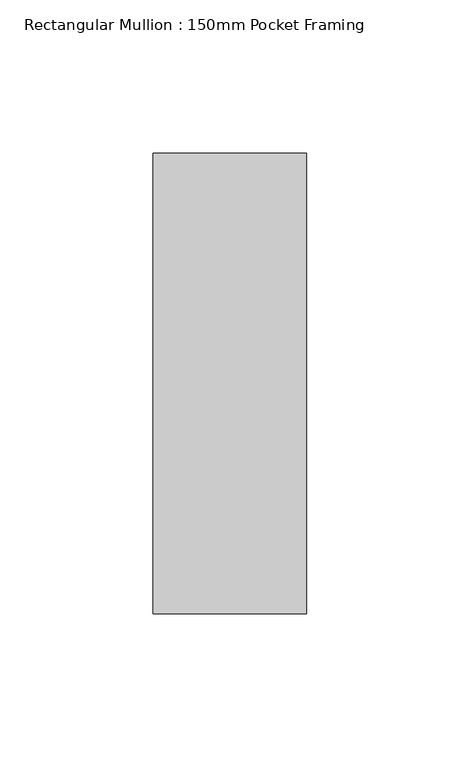
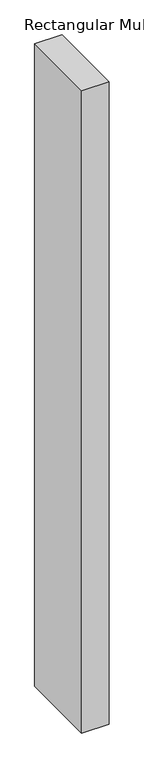
"""IFC4 building model written with IfcOpenShell, lengths in millimetres: member geometry, Rectangular Mullion : 150mm Pocket Framing."""

from ifc_helpers import new_model, si_unit, frame, origin, place, context, project, spatial, polyline, outline, extrude, source, transform, mapped, element, save


def rectangular_mullion_150mm_pocket_framing_66e340f9(model_context):
    return source(origin(), model_context, "Body", "SweptSolid", [
        extrude(outline(polyline([(25.0, 75.0), (25.0, -75.0), (-25.0, -75.0), (-25.0, 75.0), (25.0, 75.0)])), frame((0.0, 0.0, -1250.0), z_axis=(0.0, 0.0, 1.0), x_axis=(1.0, 0.0, 0.0)), (0.0, 0.0, 1.0), 1250.0),
    ])


if __name__ == "__main__":
    model = new_model("IFC4")
    model_context = context("Model", 3, world=origin())
    ifc_project = project(units=[si_unit("LENGTHUNIT", "METRE", prefix="MILLI")], contexts=[model_context])
    site = spatial("IfcSite", under=ifc_project)
    building = spatial("IfcBuilding", under=site)
    placement = place(None, origin())
    rectangular_mullion_150mm_pocket_framing_shape = rectangular_mullion_150mm_pocket_framing_66e340f9(model_context)
    element("IfcMember", 1, ObjectType="Rectangular Mullion : 150mm Pocket Framing", at=placement, inside=building, context=model_context, shape_type="MappedRepresentation", body=[
        mapped(rectangular_mullion_150mm_pocket_framing_shape, transform((0.0, 0.0, 0.0), x_axis=(1.0, 0.0, 0.0), y_axis=(0.0, 1.0, 0.0), z_axis=(0.0, 0.0, 1.0))),
    ])
    save(model, "model.ifc")
